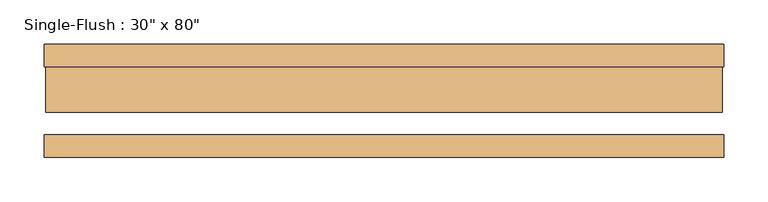
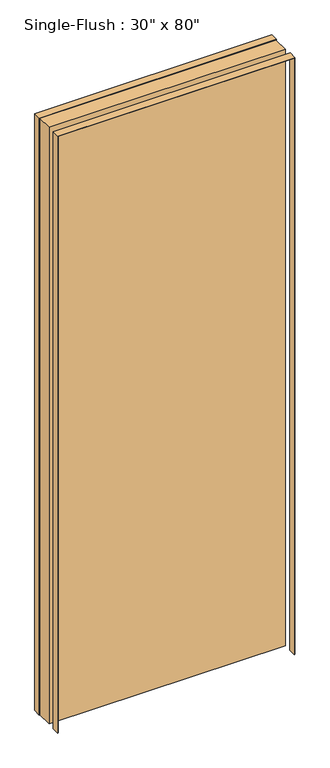
"""IFC4 building model written with IfcOpenShell, lengths in millimetres: door geometry."""

from ifc_helpers import new_model, si_unit, frame, origin, origin_with_axes, place, context, project, spatial, polyline, outline, extrude, source, transform, mapped, element, save


def door_ca18fb18(model_context):
    return source(origin(), model_context, "Body", "SweptSolid", [
        extrude(outline(polyline([(2033.5875, -382.5875), (0.0, -382.5875), (0.0, -381.0), (2032.0, -381.0), (2032.0, 381.0), (0.0, 381.0), (0.0, 382.5875), (2033.5875, 382.5875), (2033.5875, -382.5875)])), frame((0.0, 38.1, 0.0), z_axis=(0.0, 1.0, 0.0), x_axis=(0.0, 0.0, 1.0)), (0.0, 0.0, 1.0), 25.4),
        extrude(outline(polyline([(2033.5875, 382.5875), (2033.5875, -382.5875), (0.0, -382.5875), (0.0, -381.0), (2032.0, -381.0), (2032.0, 381.0), (0.0, 381.0), (0.0, 382.5875), (2033.5875, 382.5875)])), frame((0.0, -63.5, 0.0), z_axis=(0.0, 1.0, 0.0), x_axis=(0.0, 0.0, 1.0)), (0.0, 0.0, 1.0), 25.4),
        extrude(outline(polyline([(381.0, -12.7), (-381.0, -12.7), (-381.0, 38.1), (381.0, 38.1), (381.0, -12.7)])), origin_with_axes(), (0.0, 0.0, 1.0), 2032.0),
    ])


if __name__ == "__main__":
    model = new_model("IFC4")
    model_context = context("Model", 3, world=origin())
    ifc_project = project(units=[si_unit("LENGTHUNIT", "METRE", prefix="MILLI")], contexts=[model_context])
    site = spatial("IfcSite", under=ifc_project)
    building = spatial("IfcBuilding", under=site)
    placement = place(None, origin())
    door_shape = door_ca18fb18(model_context)
    element("IfcDoor", 1, ObjectType="Single-Flush : 30\" x 80\"", at=placement, inside=building, context=model_context, shape_type="MappedRepresentation", body=[
        mapped(door_shape, transform((0.0, 0.0, 0.0), x_axis=(1.0, 0.0, 0.0), y_axis=(0.0, 1.0, 0.0), z_axis=(0.0, 0.0, 1.0))),
    ])
    save(model, "model.ifc")
